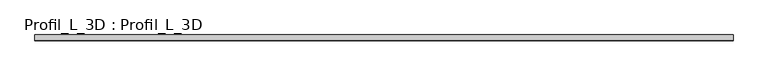
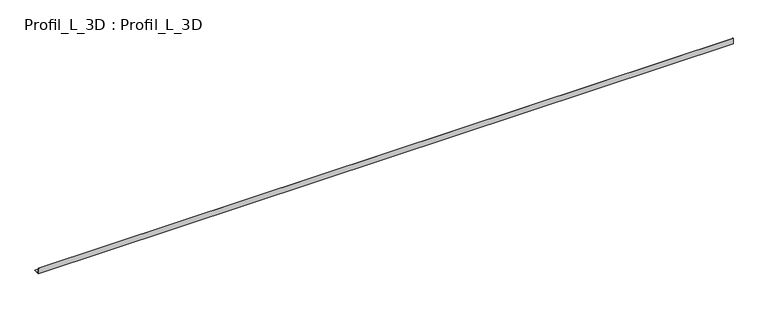
"""IFC4 building model written with IfcOpenShell, lengths in millimetres: proxy geometry, Profil_L_3D : Profil_L_3D."""

from ifc_helpers import new_model, si_unit, frame, origin, place, context, project, spatial, polyline, outline, extrude, source, transform, mapped, element, save


def profil_l_3d_profil_l_3d_da0b4612(model_context):
    return source(origin(), model_context, "Body", "SweptSolid", [
        extrude(outline(polyline([(0.0, 0.0), (0.0, 30.0), (0.8, 30.0), (0.8, 0.8), (30.0, 0.8), (30.0, 0.0), (0.0, 0.0)])), frame((0.0, 0.0, 0.0), z_axis=(1.0, 0.0, 0.0), x_axis=(0.0, 1.0, 0.0)), (0.0, 0.0, 1.0), 3640.0),
    ])


if __name__ == "__main__":
    model = new_model("IFC4")
    model_context = context("Model", 3, world=origin())
    ifc_project = project(units=[si_unit("LENGTHUNIT", "METRE", prefix="MILLI")], contexts=[model_context])
    site = spatial("IfcSite", under=ifc_project)
    building = spatial("IfcBuilding", under=site)
    placement = place(None, origin())
    profil_l_3d_profil_l_3d_shape = profil_l_3d_profil_l_3d_da0b4612(model_context)
    element("IfcBuildingElementProxy", 1, Name="Profil_L_3D : Profil_L_3D", ObjectType="Profil_L_3D : Profil_L_3D", at=placement, inside=building, context=model_context, shape_type="MappedRepresentation", body=[
        mapped(profil_l_3d_profil_l_3d_shape, transform((0.0, 0.0, 0.0), x_axis=(1.0, 0.0, 0.0), y_axis=(0.0, 1.0, 0.0), z_axis=(0.0, 0.0, 1.0))),
    ])
    save(model, "model.ifc")
